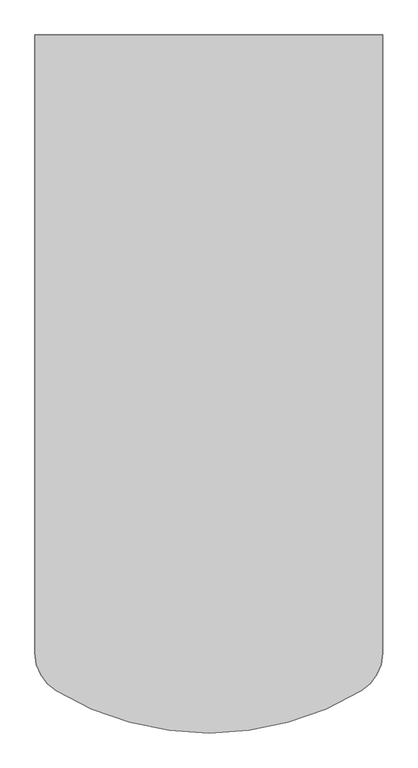
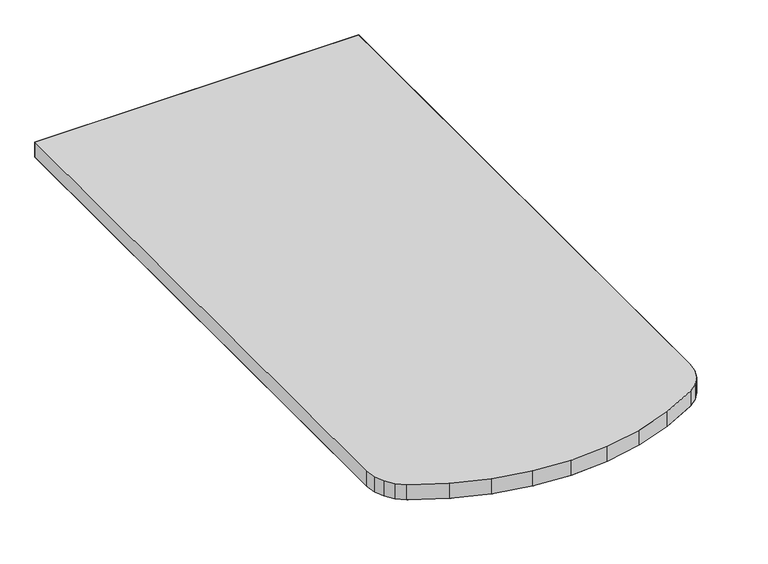
"""IFC4 building model written with IfcOpenShell, lengths in millimetres: furniture geometry."""

from ifc_helpers import new_model, si_unit, origin, place, context, project, spatial, triangles, source, transform, mapped, element, save


def furniture_fa74f15c(model_context):
    return source(origin(), model_context, "Body", "Tessellation", [
        triangles([(570.9596623, -1144.219039, 725.4240349), (570.9596623, -1144.219039, 695.8330359), (508.7532849, -1175.9155054, 695.8330359), (508.7532849, -1175.9155054, 725.4240349), (442.855127, -1198.974781, 695.8330359), (442.855127, -1198.974781, 725.4240349), (374.4580301, -1212.9794495, 695.8330359), (374.4580301, -1212.9794495, 725.4240349), (304.8, -1217.6759651, 695.8330359), (304.8, -1217.6759651, 725.4240349), (235.141988, -1212.9794495, 695.8330359), (235.141988, -1212.9794495, 725.4240349), (166.7448548, -1198.974781, 695.8330359), (166.7448548, -1198.974781, 725.4240349), (100.846706, -1175.9155054, 695.8330359), (100.846706, -1175.9155054, 725.4240349), (38.6403513, -1144.219039, 695.8330359), (38.6403513, -1144.219039, 725.4240349), (586.3591221, -1132.0787916, 695.8330359), (586.3591221, -1132.0787916, 725.4240349), (598.1504808, -1116.4106346, 695.8330359), (598.1504808, -1116.4106346, 725.4240349), (605.5528633, -1098.2520773, 695.8330359), (605.5528633, -1098.2520773, 725.4240349), (608.0760015, -1078.8056625, 695.8330359), (608.0760015, -1078.8056625, 725.4240349), (1.524, -1078.8056625, 725.4240349), (1.524, -1078.8056625, 695.8330359), (4.0471532, -1098.2520773, 695.8330359), (4.0471532, -1098.2520773, 725.4240349), (11.449518, -1116.4106346, 695.8330359), (11.449518, -1116.4106346, 725.4240349), (23.2408756, -1132.0787916, 695.8330359), (23.2408756, -1132.0787916, 725.4240349), (1.524, -1.524, 725.4240349), (1.524, -1.524, 695.8330359), (608.0760015, -1.524, 695.8330359), (608.0760015, -1.524, 725.4240349)], [[1, 2, 3], [1, 3, 4], [4, 3, 5], [4, 5, 6], [6, 5, 7], [6, 7, 8], [8, 7, 9], [8, 9, 10], [10, 9, 11], [10, 11, 12], [12, 11, 13], [12, 13, 14], [14, 13, 15], [14, 15, 16], [16, 15, 17], [16, 17, 18], [1, 2, 19], [1, 19, 20], [20, 19, 21], [20, 21, 22], [22, 21, 23], [22, 23, 24], [24, 23, 25], [24, 25, 26], [27, 28, 29], [27, 29, 30], [30, 29, 31], [30, 31, 32], [32, 31, 33], [32, 33, 34], [34, 33, 17], [34, 17, 18], [35, 36, 37], [35, 37, 38], [35, 36, 28], [35, 28, 27], [38, 37, 25], [38, 25, 26]], closed=False),
        triangles([(1.524, -1.524, 725.4240349), (1.524, -1078.8056625, 725.4240349), (608.0760015, -1078.8056625, 725.4240349), (608.0760015, -1.524, 725.4240349), (4.0471532, -1098.2520773, 725.4240349), (605.5528633, -1098.2520773, 725.4240349), (11.449518, -1116.4106346, 725.4240349), (598.1504808, -1116.4106346, 725.4240349), (23.2408756, -1132.0787916, 725.4240349), (586.3591221, -1132.0787916, 725.4240349), (38.6403513, -1144.219039, 725.4240349), (570.9596623, -1144.219039, 725.4240349), (1.524, -1.524, 695.8330359), (1.524, -1078.8056625, 695.8330359), (608.0760015, -1078.8056625, 695.8330359), (608.0760015, -1.524, 695.8330359), (4.0471532, -1098.2520773, 695.8330359), (605.5528633, -1098.2520773, 695.8330359), (11.449518, -1116.4106346, 695.8330359), (598.1504808, -1116.4106346, 695.8330359), (23.2408756, -1132.0787916, 695.8330359), (586.3591221, -1132.0787916, 695.8330359), (38.6403513, -1144.219039, 695.8330359), (570.9596623, -1144.219039, 695.8330359), (100.846706, -1175.9155054, 725.4240349), (508.7532849, -1175.9155054, 725.4240349), (442.855127, -1198.974781, 725.4240349), (166.7448548, -1198.974781, 725.4240349), (235.141988, -1212.9794495, 725.4240349), (374.4580301, -1212.9794495, 725.4240349), (304.8, -1217.6759651, 725.4240349), (100.846706, -1175.9155054, 695.8330359), (508.7532849, -1175.9155054, 695.8330359), (442.855127, -1198.974781, 695.8330359), (166.7448548, -1198.974781, 695.8330359), (235.141988, -1212.9794495, 695.8330359), (374.4580301, -1212.9794495, 695.8330359), (304.8, -1217.6759651, 695.8330359)], [[1, 2, 3], [1, 3, 4], [3, 2, 5], [3, 5, 6], [6, 5, 7], [6, 7, 8], [8, 7, 9], [8, 9, 10], [10, 9, 11], [10, 11, 12], [13, 14, 15], [13, 15, 16], [15, 14, 17], [15, 17, 18], [18, 17, 19], [18, 19, 20], [20, 19, 21], [20, 21, 22], [22, 21, 23], [22, 23, 24], [25, 11, 26], [11, 12, 26], [25, 26, 27], [25, 27, 28], [27, 28, 29], [27, 29, 30], [29, 30, 31], [32, 23, 33], [23, 24, 33], [32, 33, 34], [32, 34, 35], [34, 35, 36], [34, 36, 37], [36, 37, 38]], closed=False),
    ])


if __name__ == "__main__":
    model = new_model("IFC4")
    model_context = context("Model", 3, world=origin())
    ifc_project = project(units=[si_unit("LENGTHUNIT", "METRE", prefix="MILLI")], contexts=[model_context])
    site = spatial("IfcSite", under=ifc_project)
    building = spatial("IfcBuilding", under=site)
    placement = place(None, origin())
    furniture_shape = furniture_fa74f15c(model_context)
    element("IfcFurniture", 1, at=placement, inside=building, context=model_context, shape_type="MappedRepresentation", body=[
        mapped(furniture_shape, transform((0.0, 0.0, 0.0), x_axis=(1.0, 0.0, 0.0), y_axis=(0.0, 1.0, 0.0), z_axis=(0.0, 0.0, 1.0))),
    ])
    save(model, "model.ifc")
